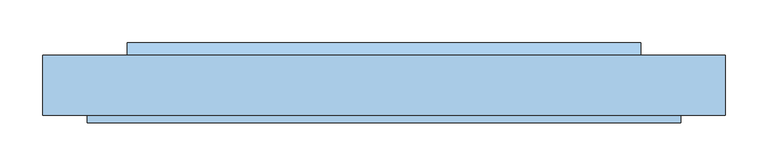
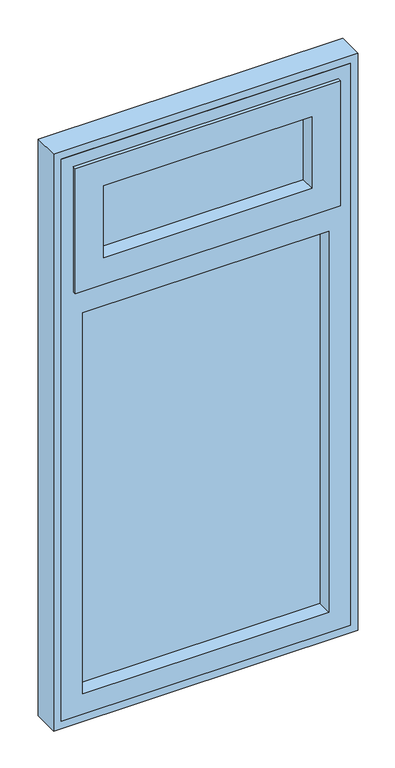
"""IFC4 building model written with IfcOpenShell, lengths in millimetres: window geometry."""

from ifc_helpers import new_model, si_unit, frame, origin, place, context, project, spatial, polyline, outline, extrude, faceted_brep, source, transform, mapped, element, save


def window_edef098f(model_context):
    return source(origin(), model_context, "Body", "SolidModel", [
        extrude(outline(polyline([(323.0, 10.0), (-323.0, 10.0), (-323.0, 31.0), (323.0, 31.0), (323.0, 10.0)])), frame((0.0, 0.0, 977.0), z_axis=(0.0, 0.0, 1.0), x_axis=(1.0, 0.0, 0.0)), (0.0, 0.0, 1.0), 1057.0),
        faceted_brep([(-348.0, -39.0, 2101.0), (-348.0, -30.0, 2101.0), (348.0, -30.0, 2101.0), (348.0, -39.0, 2101.0), (-317.0, 31.0, 2132.0), (-317.0, 40.0, 2132.0), (317.0, 40.0, 2132.0), (317.0, 31.0, 2132.0), (-274.0, 40.0, 2175.0), (-274.0, -39.0, 2175.0), (274.0, -39.0, 2175.0), (274.0, 40.0, 2175.0), (348.0, -30.0, 2448.0), (348.0, -39.0, 2448.0), (317.0, 40.0, 2417.0), (317.0, 31.0, 2417.0), (274.0, -39.0, 2374.0), (274.0, 40.0, 2374.0), (-348.0, -30.0, 2448.0), (-348.0, -39.0, 2448.0), (-317.0, 40.0, 2417.0), (-317.0, 31.0, 2417.0), (-274.0, -39.0, 2374.0), (-274.0, 40.0, 2374.0), (-323.0, 31.0, 2126.0), (-323.0, 31.0, 2423.0), (323.0, 31.0, 2423.0), (323.0, 31.0, 2126.0), (-323.0, -30.0, 2126.0), (323.0, -30.0, 2126.0), (323.0, -30.0, 2423.0), (-323.0, -30.0, 2423.0)], [[[0, 1, 2, 3]], [[4, 5, 6, 7]], [[8, 9, 10, 11]], [[3, 2, 12, 13]], [[7, 6, 14, 15]], [[11, 10, 16, 17]], [[13, 12, 18, 19]], [[15, 14, 20, 21]], [[17, 16, 22, 23]], [[19, 18, 1, 0]], [[5, 20, 14, 6], [11, 17, 23, 8]], [[21, 20, 5, 4]], [[24, 25, 26, 27], [7, 15, 21, 4]], [[23, 22, 9, 8]], [[3, 13, 19, 0], [9, 22, 16, 10]], [[28, 24, 27, 29]], [[29, 27, 26, 30]], [[30, 26, 25, 31]], [[1, 18, 12, 2], [29, 30, 31, 28]], [[31, 25, 24, 28]]]),
        extrude(outline(polyline([(274.0, 1.0), (-274.0, 1.0), (-274.0, 31.0), (274.0, 31.0), (274.0, 1.0)])), frame((0.0, 0.0, 2175.0), z_axis=(0.0, 0.0, 1.0), x_axis=(1.0, 0.0, 0.0)), (0.0, 0.0, 1.0), 199.0),
        extrude(outline(polyline([(55.0, 2132.0), (40.0, 2132.0), (40.0, 2144.5), (55.0, 2137.0), (55.0, 2132.0)])), frame((-301.0, 0.0, 0.0), z_axis=(1.0, 0.0, 0.0), x_axis=(0.0, 1.0, 0.0)), (0.0, 0.0, 1.0), 602.0),
        extrude(outline(polyline([(2480.0, 380.0), (2480.0, -380.0), (920.0, -380.0), (920.0, 380.0), (2480.0, 380.0)]), holes=[polyline([(2423.0, -323.0), (2423.0, 323.0), (2126.0, 323.0), (2126.0, -323.0), (2423.0, -323.0)]), polyline([(977.0, -323.0), (2034.0, -323.0), (2034.0, 323.0), (977.0, 323.0), (977.0, -323.0)])]), frame((0.0, -30.0, 0.0), z_axis=(0.0, 1.0, 0.0), x_axis=(0.0, 0.0, 1.0)), (0.0, 0.0, 1.0), 70.0),
        extrude(outline(polyline([(2500.0, 400.0), (2500.0, -400.0), (900.0, -400.0), (900.0, 400.0), (2500.0, 400.0)]), holes=[polyline([(920.0, -380.0), (2480.0, -380.0), (2480.0, 380.0), (920.0, 380.0), (920.0, -380.0)])]), frame((0.0, -30.0, 0.0), z_axis=(0.0, 1.0, 0.0), x_axis=(0.0, 0.0, 1.0)), (0.0, 0.0, 1.0), 70.0),
    ])


if __name__ == "__main__":
    model = new_model("IFC4")
    model_context = context("Model", 3, world=origin())
    ifc_project = project(units=[si_unit("LENGTHUNIT", "METRE", prefix="MILLI")], contexts=[model_context])
    site = spatial("IfcSite", under=ifc_project)
    building = spatial("IfcBuilding", under=site)
    placement = place(None, origin())
    window_shape = window_edef098f(model_context)
    element("IfcWindow", 1, at=placement, inside=building, context=model_context, shape_type="MappedRepresentation", body=[
        mapped(window_shape, transform((0.0, 0.0, 0.0), x_axis=(1.0, 0.0, 0.0), y_axis=(0.0, 1.0, 0.0), z_axis=(0.0, 0.0, 1.0))),
    ])
    save(model, "model.ifc")
